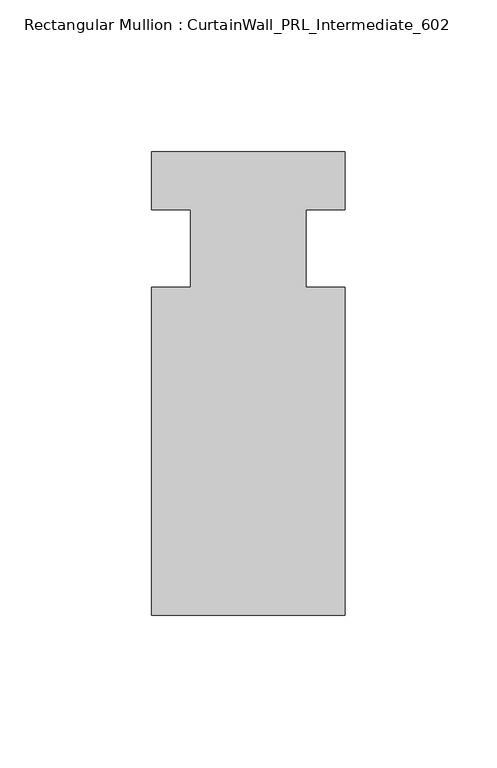
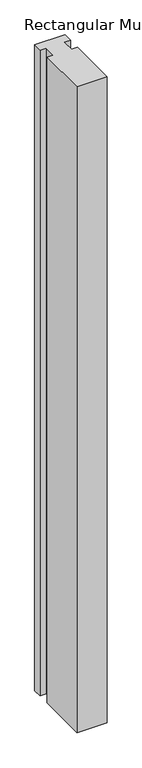
"""IFC4 building model written with IfcOpenShell, lengths in millimetres: member geometry, Rectangular Mullion : CurtainWall_PRL_Intermediate_602."""

from ifc_helpers import new_model, si_unit, frame, origin, place, context, project, spatial, polyline, outline, extrude, source, transform, mapped, element, save


def rectangular_mullion_curtainwall_prl_intermediate_602_3e6e6b0f(model_context):
    return source(origin(), model_context, "Body", "SweptSolid", [
        extrude(outline(polyline([(-19.05, -12.7), (-19.05, 12.7), (-31.75, 12.7), (-31.75, 31.75), (31.75, 31.75), (31.75, 12.7), (19.05, 12.7), (19.05, -12.7), (31.75, -12.7), (31.75, -120.65), (-31.75, -120.65), (-31.75, -12.7), (-19.05, -12.7)])), frame((0.0, 0.0, -1427.4348719), z_axis=(0.0, 0.0, 1.0), x_axis=(1.0, 0.0, 0.0)), (0.0, 0.0, 1.0), 1427.4348719),
    ])


if __name__ == "__main__":
    model = new_model("IFC4")
    model_context = context("Model", 3, world=origin())
    ifc_project = project(units=[si_unit("LENGTHUNIT", "METRE", prefix="MILLI")], contexts=[model_context])
    site = spatial("IfcSite", under=ifc_project)
    building = spatial("IfcBuilding", under=site)
    placement = place(None, origin())
    rectangular_mullion_curtainwall_prl_intermediate_602_shape = rectangular_mullion_curtainwall_prl_intermediate_602_3e6e6b0f(model_context)
    element("IfcMember", 1, ObjectType="Rectangular Mullion : CurtainWall_PRL_Intermediate_602", at=placement, inside=building, context=model_context, shape_type="MappedRepresentation", body=[
        mapped(rectangular_mullion_curtainwall_prl_intermediate_602_shape, transform((0.0, 0.0, 0.0), x_axis=(1.0, 0.0, 0.0), y_axis=(0.0, 1.0, 0.0), z_axis=(0.0, 0.0, 1.0))),
    ])
    save(model, "model.ifc")
